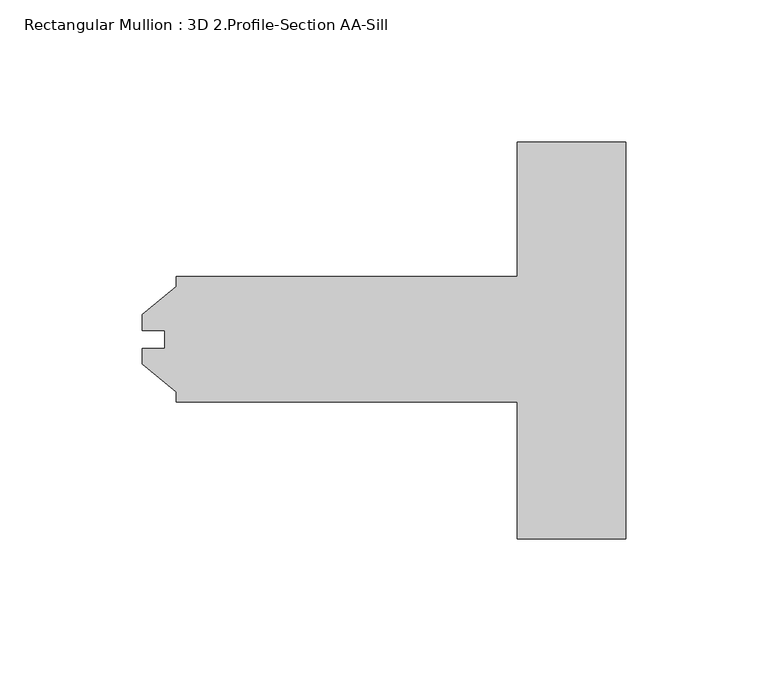
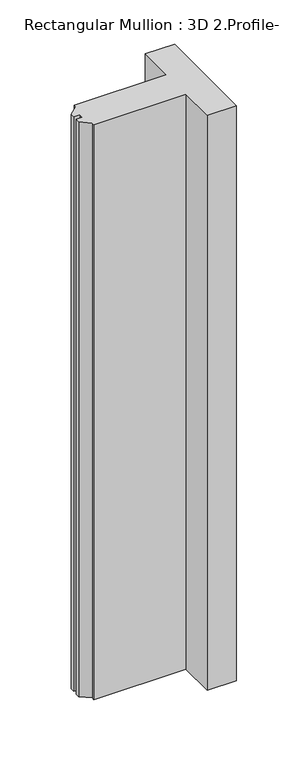
"""IFC4 building model written with IfcOpenShell, lengths in millimetres: member geometry, Rectangular Mullion : 3D 2.Profile-Section AA-Sill."""

from ifc_helpers import new_model, si_unit, frame, origin, place, context, project, spatial, polyline, outline, extrude, source, transform, mapped, element, save


def rectangular_mullion_3d_2_profile_section_aa_sill_a58bc36c(model_context):
    return source(origin(), model_context, "Body", "SweptSolid", [
        extrude(outline(polyline([(-170.0647623, -3.2199168), (-162.1209123, -3.2199168), (-162.1209123, 3.1300832), (-170.0647623, 3.1300832), (-170.0647623, 8.7053832), (-158.1585123, 18.4739192), (-158.1585123, 22.0530832), (-38.1, 22.0530832), (-38.1, 69.3539062), (0.0, 69.3539062), (0.0, -70.3460937), (-38.1, -70.3460938), (-38.1, -22.1429168), (-158.1585123, -22.1429168), (-158.1585123, -18.5637528), (-170.0647623, -8.7952168), (-170.0647623, -3.2199168)])), frame((0.0, 0.0, -792.96895), z_axis=(0.0, 0.0, 1.0), x_axis=(1.0, 0.0, 0.0)), (0.0, 0.0, 1.0), 792.96895),
    ])


if __name__ == "__main__":
    model = new_model("IFC4")
    model_context = context("Model", 3, world=origin())
    ifc_project = project(units=[si_unit("LENGTHUNIT", "METRE", prefix="MILLI")], contexts=[model_context])
    site = spatial("IfcSite", under=ifc_project)
    building = spatial("IfcBuilding", under=site)
    placement = place(None, origin())
    rectangular_mullion_3d_2_profile_section_aa_sill_shape = rectangular_mullion_3d_2_profile_section_aa_sill_a58bc36c(model_context)
    element("IfcMember", 1, ObjectType="Rectangular Mullion : 3D 2.Profile-Section AA-Sill", at=placement, inside=building, context=model_context, shape_type="MappedRepresentation", body=[
        mapped(rectangular_mullion_3d_2_profile_section_aa_sill_shape, transform((0.0, 0.0, 0.0), x_axis=(1.0, 0.0, 0.0), y_axis=(0.0, 1.0, 0.0), z_axis=(0.0, 0.0, 1.0))),
    ])
    save(model, "model.ifc")
